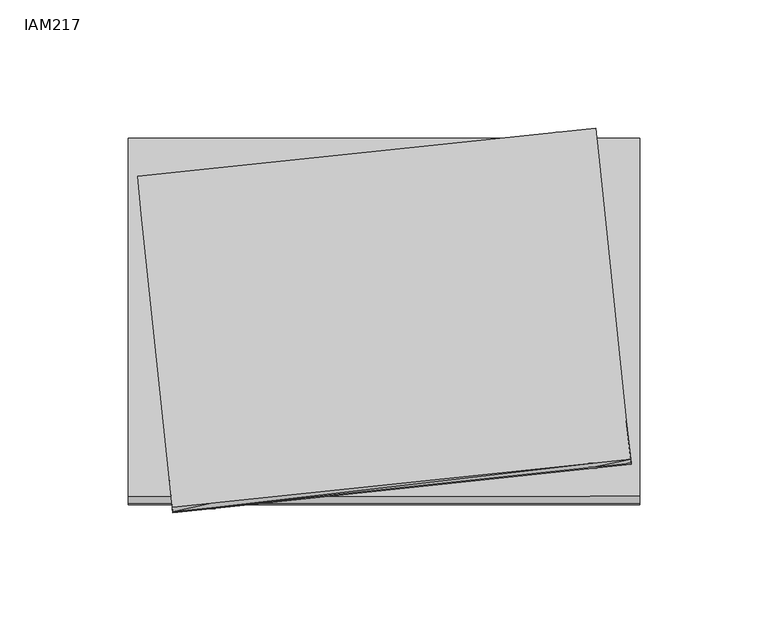
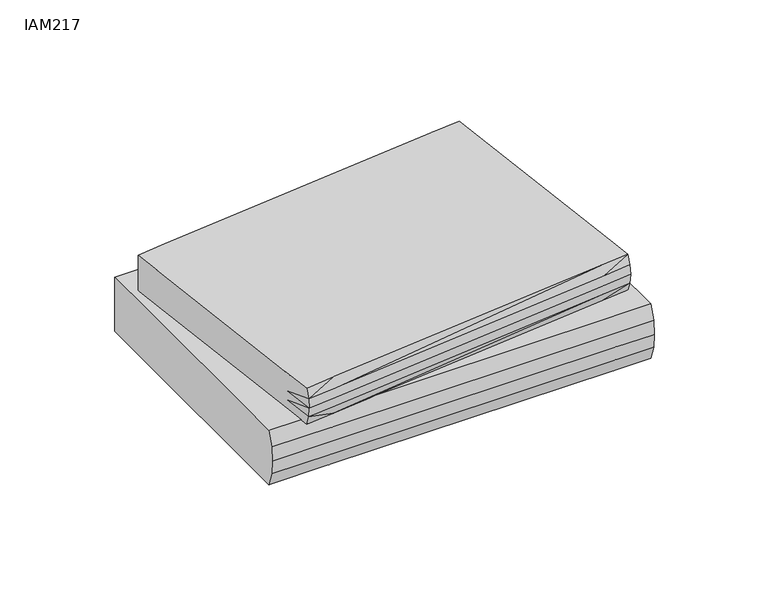
"""IFC4 building model written with IfcOpenShell, lengths in millimetres: furniture geometry, IAM217."""

import ifcopenshell
import ifcopenshell.guid

model = None  # the IFC model being written
_history = None  # IfcOwnerHistory: only IFC2X3 demands one
_inside = {}  # id of a spatial element -> (the spatial element, [elements in it])
_under = {}  # id of a project, library or spatial element -> (it, [spatial elements below it])
_declared = {}  # id of a project -> (the project, [libraries it declares])
_typed = {}  # id of a type object -> (the type object, [elements of that type])
_made_of = {}  # id of a material, layer set ... -> (it, [elements and type objects made of it])


def new_model(schema):
    """Start an empty IFC model of exactly this schema.

    Asked for "IFC4X3", IfcOpenShell would pick the latest addendum, in which some entities
    have other attributes; the version numbers below select the first issue.
    IFC2X3 requires an IfcOwnerHistory on every rooted entity: one is made here for all.
    """
    global model, _history
    if schema == "IFC4X3":
        model = ifcopenshell.file(schema_version=(4, 3, 0, 0))
    else:
        model = ifcopenshell.file(schema=schema)
    _inside.clear()
    _under.clear()
    _declared.clear()
    _typed.clear()
    _made_of.clear()
    _history = None
    if model.schema == "IFC2X3":
        org = make("IfcOrganization", Name="unknown")
        user = make(
            "IfcPersonAndOrganization",
            ThePerson=make("IfcPerson", FamilyName="unknown"),
            TheOrganization=org,
        )
        app = make(
            "IfcApplication",
            ApplicationDeveloper=org,
            Version="unknown",
            ApplicationFullName="unknown",
            ApplicationIdentifier="unknown",
        )
        _history = make(
            "IfcOwnerHistory",
            OwningUser=user,
            OwningApplication=app,
            ChangeAction="ADDED",
            CreationDate=0,
        )
    return model


def make(cls, **values):
    """One entity of the class cls with the attributes given. An attribute that is None is left unset."""
    return model.create_entity(
        cls, **{name: value for name, value in values.items() if value is not None}
    )


def rooted(cls, **values):
    """An entity with a GlobalId (a new one), such as an element, a storey or a relation."""
    return make(cls, GlobalId=ifcopenshell.guid.new(), OwnerHistory=_history, **values)


def si_unit(unit_type, name, prefix=None):
    """IfcSIUnit, for example si_unit("LENGTHUNIT", "METRE", prefix="MILLI")."""
    return make("IfcSIUnit", UnitType=unit_type, Prefix=prefix, Name=name)


def assignment(units):
    """IfcUnitAssignment: the units of a project."""
    return None if units is None else make("IfcUnitAssignment", Units=units)


def point(xyz):
    """IfcCartesianPoint."""
    return None if xyz is None else make("IfcCartesianPoint", Coordinates=xyz)


def direction(xyz):
    """IfcDirection."""
    return None if xyz is None else make("IfcDirection", DirectionRatios=xyz)


def frame(location, z_axis=None, x_axis=None):
    """IfcAxis2Placement3D, a coordinate frame: its origin and axes. An axis left out is left unset."""
    return make(
        "IfcAxis2Placement3D",
        Location=point(location),
        Axis=direction(z_axis),
        RefDirection=direction(x_axis),
    )


def origin():
    """The frame at (0, 0, 0) with its axes left unset."""
    return frame((0.0, 0.0, 0.0))


def place(relative_to, where):
    """IfcLocalPlacement: puts the frame where relative to a parent placement (None: the world)."""
    return make(
        "IfcLocalPlacement", PlacementRelTo=relative_to, RelativePlacement=where
    )


def context(
    kind, dimensions, precision=None, world=None, true_north=None, identifier=None
):
    """IfcGeometricRepresentationContext, for example the 3D "Model" context."""
    return make(
        "IfcGeometricRepresentationContext",
        ContextIdentifier=identifier,
        ContextType=kind,
        CoordinateSpaceDimension=dimensions,
        Precision=precision,
        WorldCoordinateSystem=world,
        TrueNorth=true_north,
    )


def project(units=None, contexts=None):
    """IfcProject with its units and contexts."""
    return rooted(
        "IfcProject",
        Name="project",
        RepresentationContexts=contexts,
        UnitsInContext=assignment(units),
    )


def spatial(cls, under=None, at=None, **own):
    """A site, building, storey or space (cls), placed at a placement, below another one or the project."""
    s = rooted(cls, ObjectPlacement=at, **own)
    if under is not None:
        _under.setdefault(under.id(), (under, []))[1].append(s)
    return s


def point_list(points):
    """IfcCartesianPointList2D or 3D."""
    cls = (
        "IfcCartesianPointList2D" if len(points[0]) == 2 else "IfcCartesianPointList3D"
    )
    return make(cls, CoordList=points)


def triangles(points, corners, closed=None, point_numbers=None):
    """IfcTriangulatedFaceSet: each triangle names its three corners, points numbered from 1."""
    return make(
        "IfcTriangulatedFaceSet",
        Coordinates=point_list(points),
        Closed=closed,
        CoordIndex=corners,
        PnIndex=point_numbers,
    )


def shape(context_of_items, identifier, shape_type, items):
    """IfcShapeRepresentation: the items that make up one representation, for example the "Body"."""
    return make(
        "IfcShapeRepresentation",
        ContextOfItems=context_of_items,
        RepresentationIdentifier=identifier,
        RepresentationType=shape_type,
        Items=items,
    )


def source(mapping_origin, context_of_items, identifier, shape_type, items):
    """IfcRepresentationMap: a shape defined once, which mapped items show again and again."""
    return make(
        "IfcRepresentationMap",
        MappingOrigin=mapping_origin,
        MappedRepresentation=shape(context_of_items, identifier, shape_type, items),
    )


def transform(
    local_origin,
    x_axis=None,
    y_axis=None,
    z_axis=None,
    scale=None,
    scale2=None,
    scale3=None,
    uniform=True,
):
    """IfcCartesianTransformationOperator3D, or its non-uniform kind. x_axis, y_axis, z_axis: its Axis1, 2, 3."""
    if uniform:
        return make(
            "IfcCartesianTransformationOperator3D",
            Axis1=direction(x_axis),
            Axis2=direction(y_axis),
            LocalOrigin=point(local_origin),
            Scale=scale,
            Axis3=direction(z_axis),
        )
    return make(
        "IfcCartesianTransformationOperator3DnonUniform",
        Axis1=direction(x_axis),
        Axis2=direction(y_axis),
        LocalOrigin=point(local_origin),
        Scale=scale,
        Axis3=direction(z_axis),
        Scale2=scale2,
        Scale3=scale3,
    )


def mapped(mapping_source, mapping_target):
    """IfcMappedItem: shows the shape of a source again, moved by a transform."""
    return make(
        "IfcMappedItem", MappingSource=mapping_source, MappingTarget=mapping_target
    )


def made_of(thing, what):
    """Note that an element or type object is made of a material, layer set ...; save() writes the relation."""
    if what is not None:
        _made_of.setdefault(what.id(), (what, []))[1].append(thing)
    return thing


def element(
    cls,
    number,
    at=None,
    inside=None,
    cuts=None,
    type_object=None,
    material=None,
    context=None,
    identifier="Body",
    shape_type=None,
    held_by="IfcProductDefinitionShape",
    body=None,
    shapes=None,
    **own,
):
    """One element of the class cls, such as IfcWall. Its Tag is "e" and its number.

    at: its placement. inside: the storey or other place that contains it. cuts: it is an
    opening in that element (IfcRelVoidsElement). A single representation is given by context,
    identifier, shape_type and body (its items); several are given by shapes. held_by: the class
    of the entity that holds the representations. save() writes the other relations.
    """
    e = rooted(cls, Tag="e%d" % number, ObjectPlacement=at, **own)
    if body is not None:
        shapes = [shape(context, identifier, shape_type, body)]
    if shapes is not None:
        e.Representation = make(held_by, Representations=shapes)
    if inside is not None:
        _inside.setdefault(inside.id(), (inside, []))[1].append(e)
    if cuts is not None:
        rooted(
            "IfcRelVoidsElement", RelatingBuildingElement=cuts, RelatedOpeningElement=e
        )
    if type_object is not None:
        _typed.setdefault(type_object.id(), (type_object, []))[1].append(e)
    return made_of(e, material)


def aggregate(whole, parts):
    """IfcRelAggregates: a whole, such as a stair, and the parts it consists of."""
    return rooted("IfcRelAggregates", RelatingObject=whole, RelatedObjects=parts)


def save(model, path):
    """Write the relations noted so far, then the file.

    IfcRelAggregates (storeys below a building ...), IfcRelContainedInSpatialStructure (elements
    in a storey), IfcRelDefinesByType, IfcRelAssociatesMaterial and IfcRelDeclares: one each for
    every whole, place, type object, material and project.
    """
    for whole, parts in _under.values():
        aggregate(whole, parts)
    for where, things in _inside.values():
        rooted(
            "IfcRelContainedInSpatialStructure",
            RelatedElements=things,
            RelatingStructure=where,
        )
    for kind, things in _typed.values():
        rooted("IfcRelDefinesByType", RelatedObjects=things, RelatingType=kind)
    for what, things in _made_of.values():
        rooted("IfcRelAssociatesMaterial", RelatedObjects=things, RelatingMaterial=what)
    for by, libraries in _declared.values():
        rooted("IfcRelDeclares", RelatingContext=by, RelatedDefinitions=libraries)
    model.write(path)


def iam217_6beb6af2(model_context):
    return source(origin(), model_context, "Body", "Tessellation", [
        triangles([(72.6999638, 62.9080697, 10.0000017), (74.3333034, 59.3080669, 30.0000039), (72.6999638, 62.9080697, 30.0000039), (99.966618, 71.2080672, 15.0000019), (99.966618, 71.2080672, 22.5000052), (99.9666271, 59.3080669, 15.0000019), (68.7999566, 71.2080672, 22.5000052), (99.9666271, 59.3080669, 22.5000052), (-99.9999372, -68.7527802, 30.0000039), (-72.7332921, -60.4527781, 30.0000039), (-99.9999463, -56.836697, 30.0000039), (-68.8332849, -68.7527802, 30.0000039), (-68.8332894, -61.3527776, 30.0000039), (-99.9999463, -56.836697, 22.5000052), (-99.9999372, -71.3527804, 22.5000052), (-68.8332849, -71.3527804, 22.5000052), (-74.3666135, -56.836697, 30.0000039), (80.3333051, -68.7527665, 30.0000039), (80.333296, -45.6206029, 30.0000039), (80.3333051, -71.3527668, 22.5000052), (99.9666271, -68.7527665, 30.0000039), (83.9333034, -44.0206052, 30.0000039), (99.9666271, -71.3527668, 22.5000052), (84.833303, -40.1206025, 30.0000039), (99.9666271, -40.1206025, 30.0000039), (99.9666271, -40.1206025, 22.5000052), (-99.9999463, 42.5758941, 22.5000052), (-99.9999463, 42.5758941, 30.0000039), (-84.7666101, 42.5758941, 30.0000039), (99.9666271, 59.3080669, 30.0000039), (-99.9999463, 71.2080536, 30.0000039), (-99.9999463, 71.2080536, 22.5000052), (-83.9666135, 46.491975, 30.0000039), (-80.3666152, 48.0919773, 30.0000039), (-80.3666152, 71.2080536, 30.0000039), (68.7999566, 71.2080672, 30.0000039), (68.7999657, 63.8080693, 30.0000039), (-80.3666152, 71.2080536, 22.5000052), (99.966618, 71.2080672, 30.0000039), (-99.9999372, -68.7527802, -3e-06), (-99.9999463, -56.836697, -3e-06), (-68.8332849, -68.7527802, -3e-06), (-99.9999372, -71.3527804, 7.4999964), (-99.9999463, -56.836697, 7.4999964), (-99.9999372, -71.9527847, 15.0000019), (-68.8332849, -71.3527804, 7.4999964), (-72.7332921, -60.4527781, 9.9999971), (-72.1332969, -59.7527799, 6.8999967), (-74.3666135, -56.836697, 9.9999971), (-68.8332894, -61.3527776, 9.9999971), (-68.9332924, -60.0527798, 6.299997), (-69.3332907, -56.3366957, 4.9999969), (-73.1332904, -56.7366986, 6.299997), (80.2333021, -44.4206035, 6.299997), (80.333296, -45.6206029, 10.0000017), (80.3333051, -68.7527665, -3e-06), (80.3333051, -71.3527668, 7.4999964), (-70.0332979, -53.7367, -3e-06), (80.3333051, -71.9527665, 15.0000019), (-68.8332849, -71.9527847, 15.0000019), (99.9666271, -68.7527665, -3e-06), (99.9666271, -71.3527668, 7.4999964), (80.333296, -40.1206025, -3e-06), (99.9666271, -71.9527665, 15.0000019), (99.9666271, -40.1206025, -3e-06), (99.9666271, -40.1206025, 7.4999964), (99.9666271, -40.1206025, 15.0000019), (-99.9999463, 42.5758941, -3e-06), (-99.9999463, 42.5758941, 7.4999964), (-99.9999463, -56.836697, 15.0000019), (-77.9666164, 42.5758941, -3e-06), (-83.5666107, 42.6758926, 6.299997), (-84.7666101, 42.5758941, 9.9999971), (-79.7666155, 43.0758909, 4.9999969), (70.3999634, 56.391984, -3e-06), (79.8332993, -40.6206038, 4.9999969), (69.3999699, 58.8080656, 4.9999969), (83.2333007, -43.4206009, 6.8999967), (83.5333006, -40.2206055, 6.299997), (73.0999621, 59.2080639, 6.299997), (99.9666271, 59.3080669, -3e-06), (83.9333034, -44.0206052, 10.0000017), (84.833303, -40.1206025, 10.0000017), (74.3333034, 59.3080669, 10.0000017), (99.9666271, 59.3080669, 7.4999964), (-99.9999463, 71.2080536, -3e-06), (-80.3666152, 71.2080536, -3e-06), (-99.9999463, 71.2080536, 7.4999964), (-99.9999463, 42.5758941, 15.0000019), (-99.9999463, 71.2080536, 15.0000019), (-83.2666199, 45.8919799, 6.8999967), (-83.9666135, 46.491975, 9.9999971), (-80.1666183, 46.7919794, 6.299997), (68.7999566, 71.2080672, -3e-06), (-80.3666152, 48.0919773, 9.9999971), (68.9999626, 62.5080668, 6.299997), (68.7999657, 63.8080693, 10.0000017), (99.966618, 71.2080672, -3e-06), (-80.3666152, 71.2080536, 7.4999964), (68.7999566, 71.2080672, 7.4999964), (-80.3666152, 71.2080536, 15.0000019), (99.966618, 71.2080672, 7.4999964), (68.7999566, 71.2080672, 15.0000019), (72.0999686, 62.208067, 6.8999967)], [[1, 2, 3], [4, 5, 6], [4, 7, 5], [6, 5, 8], [9, 10, 11], [9, 12, 13], [9, 13, 10], [9, 14, 15], [9, 11, 14], [9, 15, 12], [15, 16, 12], [10, 17, 11], [12, 18, 19], [12, 19, 13], [12, 16, 18], [16, 20, 18], [18, 20, 21], [18, 21, 22], [18, 22, 19], [20, 23, 21], [21, 24, 22], [21, 25, 24], [23, 25, 21], [23, 26, 25], [14, 11, 27], [11, 28, 27], [11, 17, 28], [17, 29, 28], [24, 25, 2], [25, 30, 2], [25, 26, 30], [26, 8, 30], [28, 31, 27], [28, 29, 31], [27, 31, 32], [29, 33, 31], [33, 34, 35], [33, 35, 31], [34, 36, 35], [34, 37, 36], [32, 31, 35], [32, 35, 38], [38, 35, 7], [35, 36, 7], [7, 36, 5], [36, 37, 39], [36, 39, 5], [37, 3, 39], [3, 2, 30], [3, 30, 39], [8, 39, 30], [8, 5, 39], [40, 41, 42], [43, 41, 40], [43, 44, 41], [43, 45, 44], [43, 40, 46], [43, 46, 45], [40, 42, 46], [47, 48, 49], [47, 49, 17], [47, 17, 10], [47, 50, 48], [47, 10, 50], [48, 50, 51], [48, 51, 52], [48, 52, 53], [48, 53, 49], [51, 54, 52], [51, 50, 55], [51, 55, 54], [42, 56, 57], [42, 57, 46], [42, 41, 58], [42, 58, 56], [46, 57, 59], [46, 60, 45], [46, 59, 60], [50, 10, 13], [50, 13, 19], [50, 19, 55], [56, 61, 62], [56, 62, 57], [56, 58, 63], [56, 63, 61], [57, 62, 64], [57, 64, 59], [61, 63, 65], [62, 61, 66], [62, 66, 67], [62, 67, 64], [61, 65, 66], [41, 44, 68], [44, 69, 68], [44, 45, 70], [44, 70, 69], [41, 68, 71], [41, 71, 58], [49, 53, 72], [49, 73, 17], [49, 72, 73], [53, 52, 74], [53, 74, 72], [58, 71, 75], [58, 75, 63], [52, 76, 77], [52, 54, 76], [52, 77, 74], [76, 54, 78], [76, 78, 79], [76, 79, 80], [76, 80, 77], [54, 55, 78], [63, 75, 81], [63, 81, 65], [78, 82, 83], [78, 83, 79], [78, 55, 82], [79, 83, 84], [79, 84, 80], [65, 85, 66], [65, 81, 85], [66, 85, 6], [66, 6, 67], [68, 86, 87], [68, 87, 71], [68, 69, 88], [68, 88, 86], [69, 70, 89], [69, 89, 90], [69, 90, 88], [73, 72, 91], [73, 92, 33], [73, 91, 92], [73, 29, 17], [73, 33, 29], [72, 74, 91], [74, 93, 91], [74, 77, 93], [71, 87, 94], [71, 94, 75], [92, 91, 95], [92, 95, 34], [92, 34, 33], [91, 93, 95], [95, 93, 96], [95, 96, 97], [95, 97, 34], [93, 77, 96], [75, 94, 98], [75, 98, 81], [88, 99, 86], [88, 90, 99], [86, 99, 87], [87, 99, 94], [99, 100, 94], [99, 90, 101], [99, 101, 100], [100, 102, 98], [100, 98, 94], [100, 101, 103], [100, 103, 102], [96, 77, 104], [96, 104, 97], [77, 80, 104], [104, 80, 84], [104, 84, 1], [104, 1, 97], [85, 102, 4], [85, 81, 102], [85, 4, 6], [102, 81, 98], [102, 103, 4], [45, 15, 70], [45, 60, 16], [45, 16, 15], [60, 59, 20], [60, 20, 16], [59, 64, 23], [59, 23, 20], [64, 67, 26], [64, 26, 23], [70, 15, 14], [70, 14, 89], [55, 19, 82], [82, 22, 83], [82, 19, 22], [83, 22, 24], [83, 24, 2], [83, 2, 84], [67, 6, 8], [67, 8, 26], [89, 14, 27], [89, 27, 32], [89, 32, 90], [90, 32, 101], [101, 32, 38], [101, 38, 103], [103, 38, 7], [103, 7, 4], [97, 1, 3], [97, 37, 34], [97, 3, 37], [1, 84, 2]]),
        triangles([(-82.7304244, -72.9892994, 29.9999357), (-67.7791296, -71.4892955, 29.9999357), (-82.5304276, -74.6893001, 34.9999371), (-84.2817378, -57.9370977, 29.9999357), (-74.330433, -56.8370921, 29.9999357), (-72.7304353, -60.437095, 29.9999357), (-67.5791281, -73.0893023, 34.9999371), (-67.5791281, -73.4893006, 39.9999522), (-82.4304337, -75.0892984, 39.9999522), (-84.2817378, -57.9370977, 34.9999371), (-68.8791442, -61.3370945, 29.9999357), (81.4364718, -55.7370911, 29.9999357), (81.5364657, -57.4370873, 34.9999371), (81.6364687, -57.8370856, 39.9999522), (-94.7817328, 41.5326938, 29.9999357), (-84.7817345, 42.6326948, 29.9999357), (-94.7817328, 41.5326938, 34.9999371), (-84.2817378, -57.9370977, 39.9999522), (-74.330433, -56.8370921, 26.9999349), (-72.7304353, -60.437095, 26.9999349), (-84.7817345, 42.6326948, 26.9999349), (-70.8791402, -56.5370968, 26.9999349), (-81.3304372, 42.9326947, 26.9999349), (-70.3791389, -57.5370948, 26.9999349), (-68.8791442, -61.3370945, 26.9999349), (-70.8791402, -56.5370968, 43.499952), (-70.3791389, -57.5370948, 43.499952), (-69.1791395, -57.8370947, 26.9999349), (79.9364634, -42.1848842, 26.9999349), (80.3364663, -45.6848886, 26.9999349), (-69.1791395, -57.8370947, 43.499952), (79.9364634, -42.1848842, 43.499952), (80.3364663, -45.6848886, 29.9999357), (96.2877637, -54.2370873, 29.9999357), (96.4877697, -55.8370896, 34.9999371), (96.5877635, -56.2370879, 39.9999522), (94.6877705, -39.1326904, 29.9999357), (94.6877705, -39.1326904, 34.9999371), (83.9364645, -43.9848879, 29.9999357), (94.6877705, -39.1326904, 39.9999522), (81.0364599, -41.6848875, 26.9999349), (83.9364645, -43.9848879, 26.9999349), (81.3364688, -40.484888, 26.9999349), (84.7877661, -40.1326884, 26.9999349), (81.0364599, -41.6848875, 43.499952), (70.8851673, 58.9848944, 26.9999349), (74.3364691, 59.2848942, 26.9999349), (81.3364688, -40.484888, 43.499952), (70.8851673, 58.9848944, 43.499952), (84.7877661, -40.1326884, 29.9999357), (74.3364691, 59.2848942, 29.9999357), (84.2364644, 60.3848952, 29.9999357), (84.2364644, 60.3848952, 34.9999371), (84.2364644, 60.3848952, 39.9999522), (-96.2817412, 56.2848866, 34.9999371), (-96.2817412, 56.2848866, 29.9999357), (-83.930442, 46.4326945, 29.9999357), (-94.7817328, 41.5326938, 39.9999522), (-96.2817412, 56.2848866, 39.9999522), (-83.930442, 46.4326945, 26.9999349), (-81.0304374, 44.1326941, 26.9999349), (-80.3304347, 48.1326952, 29.9999357), (-80.3304347, 48.1326952, 26.9999349), (-79.9304409, 44.6326954, 26.9999349), (-81.0304374, 44.1326941, 43.499952), (-81.3304372, 42.9326947, 43.499952), (-79.9304409, 44.6326954, 43.499952), (69.1851665, 60.2848922, 26.9999349), (68.8851712, 63.7371025, 26.9999349), (68.8851712, 63.7371025, 29.9999357), (-81.3304372, 57.8848888, 29.9999357), (-81.3304372, 57.8848888, 34.9999371), (67.7851566, 73.5370948, 29.9999357), (67.7851566, 73.5370948, 34.9999371), (-81.3304372, 57.8848888, 39.9999522), (70.385166, 59.9848969, 26.9999349), (70.385166, 59.9848969, 43.499952), (69.1851665, 60.2848922, 43.499952), (72.7364623, 62.884897, 26.9999349), (72.7364623, 62.884897, 29.9999357), (82.7364651, 75.1371016, 29.9999357), (82.7364651, 75.1371016, 34.9999371), (82.7364651, 75.1371016, 39.9999522), (67.7851566, 73.5370948, 39.9999522), (-82.7304244, -72.9892994, 49.999955), (-84.2817378, -57.9370977, 44.9999513), (-82.5304276, -74.6893001, 44.9999513), (-84.2817378, -57.9370977, 49.999955), (-67.7791296, -71.4892955, 49.999955), (-67.5791281, -73.0893023, 44.9999513), (81.4364718, -55.7370911, 49.999955), (-69.3791364, -56.3370954, 49.999955), (81.5364657, -57.4370873, 44.9999513), (-94.7817328, 41.5326938, 44.9999513), (-94.7817328, 41.5326938, 49.999955), (-70.4791419, -56.4370938, 44.599953), (-70.179142, -57.3370934, 44.3999561), (-80.9304435, 43.0326931, 44.599953), (-69.3791364, -56.3370954, 44.9999513), (-69.2791425, -57.4370964, 44.599953), (79.8364695, -40.6848895, 44.9999513), (-79.8304379, 43.1326961, 44.9999513), (69.3851725, 58.7848929, 44.9999513), (79.8364695, -40.6848895, 49.999955), (-79.8304379, 43.1326961, 49.999955), (79.9364634, -41.7848859, 44.599953), (96.2877637, -54.2370873, 49.999955), (96.4877697, -55.8370896, 44.9999513), (94.6877705, -39.1326904, 49.999955), (94.6877705, -39.1326904, 44.9999513), (69.3851725, 58.7848929, 49.999955), (80.836463, -41.4848906, 44.3999561), (80.936466, -40.5848865, 44.599953), (70.485169, 58.8848959, 44.599953), (84.2364644, 60.3848952, 49.999955), (84.2364644, 60.3848952, 44.9999513), (-96.2817412, 56.2848866, 44.9999513), (-96.2817412, 56.2848866, 49.999955), (-81.3304372, 57.8848888, 49.999955), (-80.8304405, 43.9326927, 44.3999561), (-79.9304409, 44.2326971, 44.599953), (69.2851695, 59.8848939, 44.599953), (67.7851566, 73.5370948, 49.999955), (-81.3304372, 57.8848888, 44.9999513), (67.7851566, 73.5370948, 44.9999513), (70.1851691, 59.7848909, 44.3999561), (82.7364651, 75.1371016, 49.999955), (82.7364651, 75.1371016, 44.9999513)], [[1, 2, 3], [1, 3, 4], [1, 4, 5], [1, 5, 6], [1, 6, 2], [3, 2, 7], [3, 7, 8], [3, 8, 9], [3, 10, 4], [3, 9, 10], [2, 6, 11], [2, 11, 12], [2, 12, 13], [2, 13, 7], [7, 13, 14], [7, 14, 8], [4, 15, 16], [4, 16, 5], [10, 15, 4], [10, 17, 15], [10, 9, 18], [10, 18, 17], [19, 5, 16], [19, 20, 5], [19, 16, 21], [19, 22, 20], [19, 21, 23], [19, 23, 22], [5, 20, 6], [20, 22, 24], [20, 24, 25], [20, 25, 6], [6, 25, 11], [22, 23, 26], [22, 26, 24], [24, 26, 27], [24, 28, 25], [24, 27, 28], [28, 29, 30], [28, 30, 25], [28, 27, 31], [28, 31, 32], [28, 32, 29], [25, 30, 11], [11, 30, 33], [11, 33, 12], [12, 33, 34], [12, 34, 35], [12, 35, 13], [13, 35, 36], [13, 36, 14], [34, 37, 38], [34, 38, 35], [34, 33, 39], [34, 39, 37], [35, 38, 40], [35, 40, 36], [29, 32, 41], [29, 41, 42], [29, 42, 30], [30, 42, 33], [33, 42, 39], [41, 43, 44], [41, 44, 42], [41, 32, 45], [41, 45, 43], [43, 46, 47], [43, 47, 44], [43, 45, 48], [43, 48, 49], [43, 49, 46], [42, 44, 39], [39, 50, 37], [39, 44, 50], [44, 47, 50], [50, 47, 51], [50, 51, 52], [50, 52, 37], [37, 52, 53], [37, 53, 38], [38, 53, 54], [38, 54, 40], [15, 17, 55], [15, 55, 56], [15, 57, 16], [15, 56, 57], [17, 18, 58], [17, 58, 59], [17, 59, 55], [21, 16, 57], [21, 57, 60], [21, 60, 61], [21, 61, 23], [60, 57, 62], [60, 62, 63], [60, 63, 64], [60, 64, 61], [57, 56, 62], [23, 61, 65], [23, 66, 26], [23, 65, 66], [61, 64, 67], [61, 67, 65], [63, 68, 64], [63, 69, 68], [63, 62, 70], [63, 70, 69], [62, 56, 71], [62, 71, 70], [64, 68, 67], [55, 72, 56], [55, 59, 72], [56, 72, 71], [71, 73, 70], [71, 72, 73], [72, 74, 73], [72, 59, 75], [72, 75, 74], [68, 69, 76], [68, 76, 77], [68, 78, 67], [68, 77, 78], [76, 79, 46], [76, 69, 79], [76, 46, 49], [76, 49, 77], [46, 79, 47], [79, 69, 80], [79, 80, 51], [79, 51, 47], [80, 73, 81], [80, 70, 73], [80, 81, 51], [80, 69, 70], [51, 81, 52], [52, 82, 53], [52, 81, 82], [53, 82, 83], [53, 83, 54], [74, 82, 81], [74, 81, 73], [74, 75, 84], [74, 84, 82], [82, 84, 83], [85, 86, 87], [85, 88, 86], [85, 89, 88], [85, 87, 89], [87, 18, 9], [87, 86, 18], [87, 9, 8], [87, 90, 89], [87, 8, 90], [89, 90, 91], [89, 92, 88], [89, 91, 92], [90, 8, 93], [90, 93, 91], [8, 14, 93], [18, 86, 58], [86, 88, 94], [86, 94, 58], [88, 92, 95], [88, 95, 94], [26, 96, 97], [26, 97, 27], [26, 66, 96], [96, 66, 98], [96, 99, 97], [96, 98, 99], [27, 97, 31], [97, 100, 31], [97, 99, 100], [99, 101, 100], [99, 98, 102], [99, 102, 103], [99, 103, 101], [92, 91, 104], [92, 104, 105], [92, 105, 95], [100, 101, 106], [100, 106, 31], [31, 106, 32], [91, 93, 107], [91, 107, 104], [93, 14, 108], [93, 108, 107], [14, 36, 108], [107, 109, 104], [107, 108, 109], [108, 36, 110], [108, 110, 109], [36, 40, 110], [104, 109, 111], [104, 111, 105], [101, 112, 106], [101, 113, 112], [101, 103, 113], [106, 112, 32], [32, 112, 45], [112, 48, 45], [112, 113, 48], [113, 103, 114], [113, 114, 48], [48, 114, 49], [109, 110, 115], [109, 115, 111], [110, 40, 116], [110, 116, 115], [40, 54, 116], [58, 94, 117], [58, 117, 59], [94, 95, 118], [94, 118, 117], [95, 105, 119], [95, 119, 118], [66, 65, 120], [66, 120, 98], [65, 67, 120], [98, 120, 102], [120, 67, 121], [120, 121, 102], [67, 78, 121], [121, 78, 122], [121, 122, 102], [102, 122, 103], [105, 111, 123], [105, 123, 119], [117, 118, 119], [117, 119, 124], [117, 124, 59], [59, 124, 75], [119, 123, 125], [119, 125, 124], [124, 84, 75], [124, 125, 84], [78, 126, 122], [78, 77, 126], [122, 126, 103], [103, 126, 114], [111, 115, 127], [111, 127, 123], [126, 77, 49], [126, 49, 114], [116, 54, 128], [116, 128, 127], [116, 127, 115], [54, 83, 128], [84, 125, 83], [123, 127, 128], [123, 128, 125], [125, 128, 83]]),
    ])


if __name__ == "__main__":
    model = new_model("IFC4")
    model_context = context("Model", 3, world=origin())
    ifc_project = project(units=[si_unit("LENGTHUNIT", "METRE", prefix="MILLI")], contexts=[model_context])
    site = spatial("IfcSite", under=ifc_project)
    building = spatial("IfcBuilding", under=site)
    placement = place(None, origin())
    iam217_shape = iam217_6beb6af2(model_context)
    element("IfcFurniture", 1, ObjectType="IAM217", at=placement, inside=building, context=model_context, shape_type="MappedRepresentation", body=[
        mapped(iam217_shape, transform((0.0, 0.0, 0.0), x_axis=(1.0, 0.0, 0.0), y_axis=(0.0, 1.0, 0.0), z_axis=(0.0, 0.0, 1.0))),
    ])
    save(model, "model.ifc")
